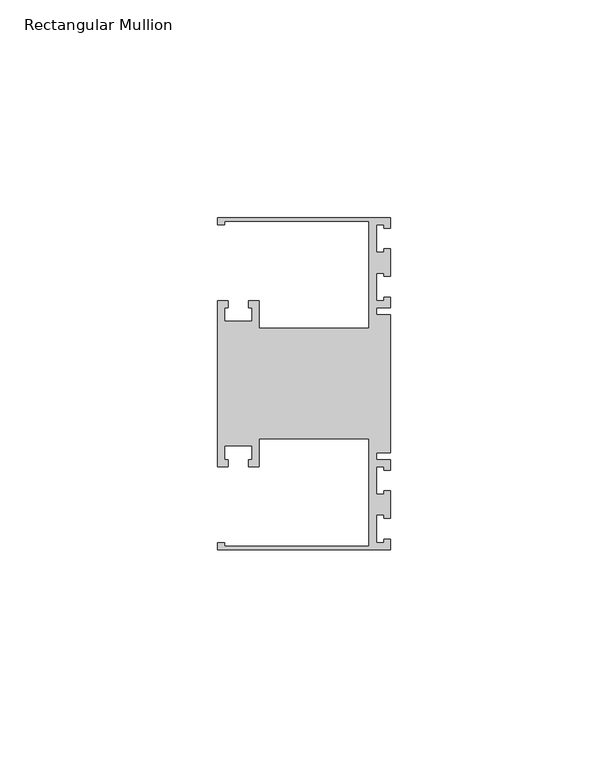
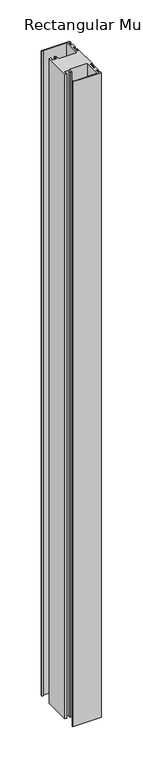
"""IFC4 building model written with IfcOpenShell, lengths in millimetres: member geometry, Rectangular Mullion."""

from ifc_helpers import new_model, si_unit, frame, origin, place, context, project, spatial, polyline, outline, extrude, source, transform, mapped, element, save


def rectangular_mullion_f35517f0(model_context):
    return source(origin(), model_context, "Body", "SweptSolid", [
        extrude(outline(polyline([(0.0, -38.1), (-39.6875, -38.1), (-39.6875, -36.5125), (-38.1, -36.5125), (-38.1, -37.30625), (-4.8585733, -37.30625), (-4.8585733, -12.6999969), (-30.1625, -12.6999969), (-30.1625, -19.05), (-32.54375, -19.05), (-32.54375, -17.4625), (-31.75, -17.4625), (-31.75, -14.2875), (-38.1, -14.2875), (-38.1, -17.4625), (-37.30625, -17.4625), (-37.30625, -19.05), (-39.6875, -19.05), (-39.6875, 19.05), (-37.30625, 19.05), (-37.30625, 17.4625), (-38.1, 17.4625), (-38.1, 14.2875), (-31.75, 14.2875), (-31.75, 17.4625), (-32.54375, 17.4625), (-32.54375, 19.05), (-30.1625, 19.05), (-30.1625, 12.6999969), (-4.8585733, 12.6999969), (-4.8585733, 37.30625), (-38.1, 37.30625), (-38.1, 36.5125), (-39.6875, 36.5125), (-39.6875, 38.1), (0.0, 38.1), (0.0, 35.71875), (-1.4999946, 35.71875), (-1.4999946, 36.5125), (-3.175, 36.5125), (-3.175, 30.1625), (-1.4999946, 30.1625), (-1.4999946, 30.95625), (0.0, 30.95625), (0.0, 24.60625), (-1.4999946, 24.60625), (-1.4999946, 25.4), (-3.175, 25.4), (-3.175, 19.05), (-1.4999946, 19.05), (-1.4999946, 19.84375), (0.0, 19.84375), (0.0, 17.4625), (-3.175, 17.4625), (-3.175, 15.875), (0.0, 15.875), (0.0, -15.875), (-3.175, -15.875), (-3.175, -17.4625), (0.0, -17.4625), (0.0, -19.84375), (-1.4999946, -19.84375), (-1.4999946, -19.05), (-3.175, -19.05), (-3.175, -25.4), (-1.4999946, -25.4), (-1.4999946, -24.60625), (0.0, -24.60625), (0.0, -30.95625), (-1.4999946, -30.95625), (-1.4999946, -30.1625), (-3.175, -30.1625), (-3.175, -36.5125), (-1.4999946, -36.5125), (-1.4999946, -35.71875), (0.0, -35.71875), (0.0, -38.1)])), frame((0.0, 0.0, -952.5), z_axis=(0.0, 0.0, 1.0), x_axis=(1.0, 0.0, 0.0)), (0.0, 0.0, 1.0), 952.5),
    ])


if __name__ == "__main__":
    model = new_model("IFC4")
    model_context = context("Model", 3, world=origin())
    ifc_project = project(units=[si_unit("LENGTHUNIT", "METRE", prefix="MILLI")], contexts=[model_context])
    site = spatial("IfcSite", under=ifc_project)
    building = spatial("IfcBuilding", under=site)
    placement = place(None, origin())
    rectangular_mullion_shape = rectangular_mullion_f35517f0(model_context)
    element("IfcMember", 1, ObjectType="Rectangular Mullion", at=placement, inside=building, context=model_context, shape_type="MappedRepresentation", body=[
        mapped(rectangular_mullion_shape, transform((0.0, 0.0, 0.0), x_axis=(1.0, 0.0, 0.0), y_axis=(0.0, 1.0, 0.0), z_axis=(0.0, 0.0, 1.0))),
    ])
    save(model, "model.ifc")
